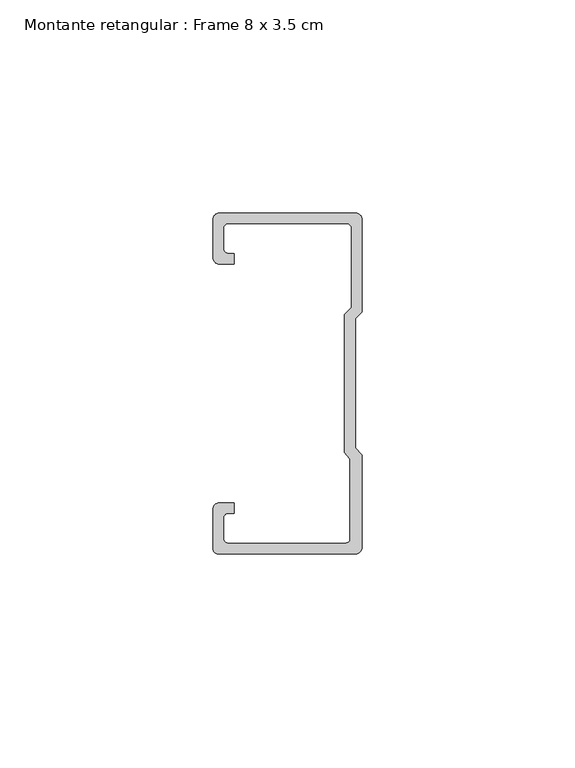
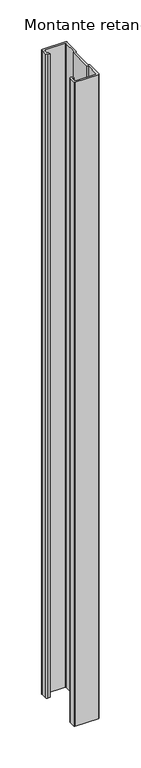
"""IFC4 building model written with IfcOpenShell, lengths in millimetres: member geometry, Montante retangular : Frame 8 x 3.5 cm."""

from ifc_helpers import new_model, si_unit, point, frame, frame_2d, origin, place, context, project, spatial, polyline, circle_curve, trimmed, segment, composite_curve, outline, extrude, source, transform, mapped, element, save


def montante_retangular_frame_8_x_3_5_cm_16e1e234(model_context):
    return source(origin(), model_context, "Body", "SweptSolid", [
        extrude(outline(composite_curve([segment(polyline([(-17.5, 29.5276505), (-17.5, 38.5)]), True, "CONTINUOUS"), segment(trimmed(circle_curve(frame_2d((-16.0, 38.5)), 1.5), [point((-17.5, 38.5))], [point((-16.0, 40.0))], False, "CARTESIAN"), True, "CONTINUOUS"), segment(polyline([(-16.0, 40.0), (16.0, 40.0)]), True, "CONTINUOUS"), segment(trimmed(circle_curve(frame_2d((16.0, 38.5)), 1.5), [point((16.0, 40.0))], [point((17.5, 38.5))], False, "CARTESIAN"), True, "CONTINUOUS"), segment(polyline([(17.5, 38.5), (17.5, 16.7622662), (15.9122869, 15.174553), (15.9122869, -15.174553), (17.5, -16.7622662), (17.5, -38.5)]), True, "CONTINUOUS"), segment(trimmed(circle_curve(frame_2d((16.0, -38.5)), 1.5), [point((17.5, -38.5))], [point((16.0, -40.0))], False, "CARTESIAN"), True, "CONTINUOUS"), segment(polyline([(16.0, -40.0), (-16.3171833, -40.0)]), True, "CONTINUOUS"), segment(trimmed(circle_curve(frame_2d((-16.3171833, -38.8171833)), 1.1828167), [point((-16.3171833, -40.0))], [point((-17.5, -38.8171833))], False, "CARTESIAN"), True, "CONTINUOUS"), segment(polyline([(-17.5, -38.8171833), (-17.5, -29.5276505)]), True, "CONTINUOUS"), segment(trimmed(circle_curve(frame_2d((-16.0, -29.5276505)), 1.5), [point((-17.5, -29.5276505))], [point((-16.0, -28.0276505))], False, "CARTESIAN"), True, "CONTINUOUS"), segment(polyline([(-16.0, -28.0276505), (-12.5162256, -28.0276505), (-12.5162256, -30.5276505), (-14.0, -30.5276505)]), True, "CONTINUOUS"), segment(trimmed(circle_curve(frame_2d((-14.0, -31.5276505)), 1.0), [point((-14.0, -30.5276505))], [point((-15.0, -31.5276505))], True, "CARTESIAN"), True, "CONTINUOUS"), segment(polyline([(-15.0, -31.5276505), (-15.0, -36.5)]), True, "CONTINUOUS"), segment(trimmed(circle_curve(frame_2d((-14.0, -36.5)), 1.0), [point((-15.0, -36.5))], [point((-14.0, -37.5))], True, "CARTESIAN"), True, "CONTINUOUS"), segment(polyline([(-14.0, -37.5), (13.692786, -37.5)]), True, "CONTINUOUS"), segment(trimmed(circle_curve(frame_2d((13.692786, -36.5)), 1.0), [point((13.692786, -37.5))], [point((14.692786, -36.5))], True, "CARTESIAN"), True, "CONTINUOUS"), segment(polyline([(14.692786, -36.5), (14.692786, -17.7671948), (13.4122869, -16.1794816), (13.4122869, 16.2100869), (15.0, 17.7978001), (15.0, 36.5)]), True, "CONTINUOUS"), segment(trimmed(circle_curve(frame_2d((14.0, 36.5)), 1.0), [point((15.0, 36.5))], [point((14.0, 37.5))], True, "CARTESIAN"), True, "CONTINUOUS"), segment(polyline([(14.0, 37.5), (-14.0, 37.5)]), True, "CONTINUOUS"), segment(trimmed(circle_curve(frame_2d((-14.0, 36.5)), 1.0), [point((-14.0, 37.5))], [point((-15.0, 36.5))], True, "CARTESIAN"), True, "CONTINUOUS"), segment(polyline([(-15.0, 36.5), (-15.0, 31.5276505)]), True, "CONTINUOUS"), segment(trimmed(circle_curve(frame_2d((-14.0, 31.5276505)), 1.0), [point((-15.0, 31.5276505))], [point((-14.0, 30.5276505))], True, "CARTESIAN"), True, "CONTINUOUS"), segment(polyline([(-14.0, 30.5276505), (-12.5162256, 30.5276505), (-12.5162256, 28.0276505), (-16.0, 28.0276505)]), True, "CONTINUOUS"), segment(trimmed(circle_curve(frame_2d((-16.0, 29.5276505)), 1.5), [point((-16.0, 28.0276505))], [point((-17.5, 29.5276505))], False, "CARTESIAN"), True, "CONTINUOUS")], self_intersect=False)), frame((0.0, 0.0, -947.5), z_axis=(0.0, 0.0, 1.0), x_axis=(1.0, 0.0, 0.0)), (0.0, 0.0, 1.0), 947.5),
    ])


if __name__ == "__main__":
    model = new_model("IFC4")
    model_context = context("Model", 3, world=origin())
    ifc_project = project(units=[si_unit("LENGTHUNIT", "METRE", prefix="MILLI")], contexts=[model_context])
    site = spatial("IfcSite", under=ifc_project)
    building = spatial("IfcBuilding", under=site)
    placement = place(None, origin())
    montante_retangular_frame_8_x_3_5_cm_shape = montante_retangular_frame_8_x_3_5_cm_16e1e234(model_context)
    element("IfcMember", 1, ObjectType="Montante retangular : Frame 8 x 3.5 cm", at=placement, inside=building, context=model_context, shape_type="MappedRepresentation", body=[
        mapped(montante_retangular_frame_8_x_3_5_cm_shape, transform((0.0, 0.0, 0.0), x_axis=(1.0, 0.0, 0.0), y_axis=(0.0, 1.0, 0.0), z_axis=(0.0, 0.0, 1.0))),
    ])
    save(model, "model.ifc")
